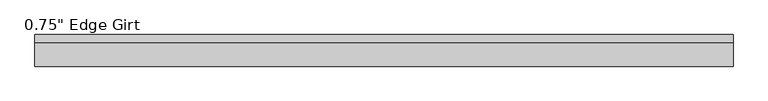
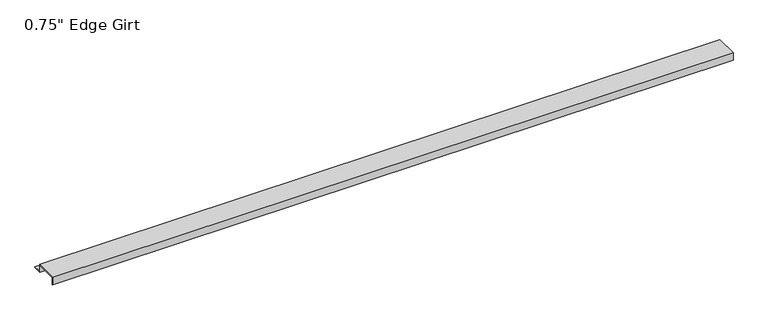
"""IFC4 building model written with IfcOpenShell, lengths in millimetres: proxy geometry."""

from ifc_helpers import new_model, si_unit, frame, origin, place, context, project, spatial, polyline, outline, extrude, source, transform, mapped, element, save


def proxy_f1743b40(model_context):
    return source(origin(), model_context, "Body", "SweptSolid", [
        extrude(outline(polyline([(46.0559645, -17.4375), (25.4, -17.4375), (25.4, 0.0), (-25.4, 0.0), (-25.4, -17.4375), (-27.0129, -17.4375), (-27.0129, 1.6129), (27.0129, 1.6129), (27.0129, -15.8242), (46.0559645, -15.8242), (46.0559645, -17.4375)])), frame((0.0, 0.0, 0.0), z_axis=(1.0, 0.0, 0.0), x_axis=(0.0, 1.0, 0.0)), (0.0, 0.0, 1.0), 1614.8479266),
    ])


if __name__ == "__main__":
    model = new_model("IFC4")
    model_context = context("Model", 3, world=origin())
    ifc_project = project(units=[si_unit("LENGTHUNIT", "METRE", prefix="MILLI")], contexts=[model_context])
    site = spatial("IfcSite", under=ifc_project)
    building = spatial("IfcBuilding", under=site)
    placement = place(None, origin())
    proxy_shape = proxy_f1743b40(model_context)
    element("IfcBuildingElementProxy", 1, Name="0.75\" Edge Girt", ObjectType="0.75\" Edge Girt", at=placement, inside=building, context=model_context, shape_type="MappedRepresentation", body=[
        mapped(proxy_shape, transform((0.0, 0.0, 0.0), x_axis=(1.0, 0.0, 0.0), y_axis=(0.0, 1.0, 0.0), z_axis=(0.0, 0.0, 1.0))),
    ])
    save(model, "model.ifc")
